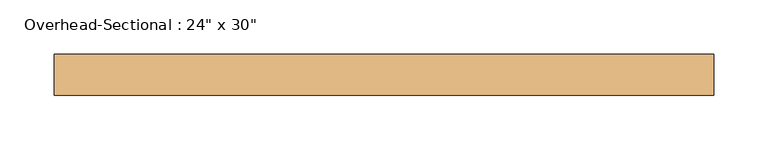
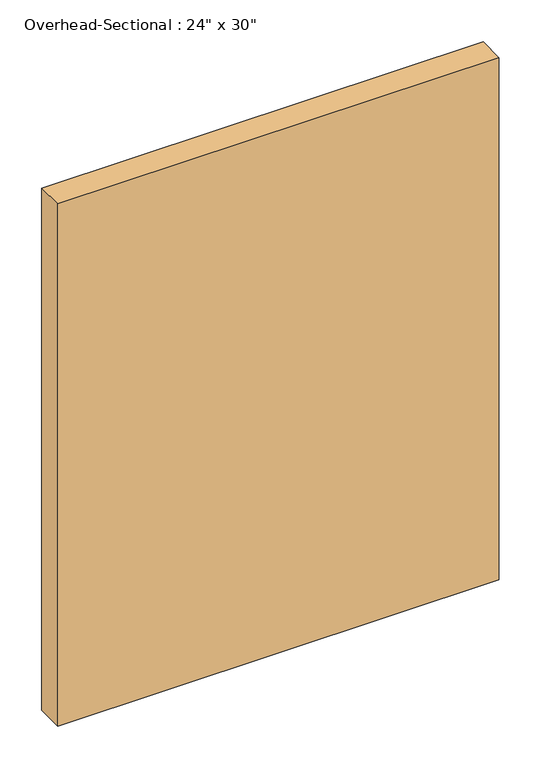
"""IFC4 building model written with IfcOpenShell, lengths in millimetres: door geometry."""

from ifc_helpers import new_model, si_unit, origin, origin_with_axes, place, context, project, spatial, polyline, outline, extrude, source, transform, mapped, element, save


def door_2ab094ee(model_context):
    return source(origin(), model_context, "Body", "SweptSolid", [
        extrude(outline(polyline([(304.8, -96.8375), (304.8, -134.9375), (-304.8, -134.9375), (-304.8, -96.8375), (304.8, -96.8375)])), origin_with_axes(), (0.0, 0.0, 1.0), 762.0),
    ])


if __name__ == "__main__":
    model = new_model("IFC4")
    model_context = context("Model", 3, world=origin())
    ifc_project = project(units=[si_unit("LENGTHUNIT", "METRE", prefix="MILLI")], contexts=[model_context])
    site = spatial("IfcSite", under=ifc_project)
    building = spatial("IfcBuilding", under=site)
    placement = place(None, origin())
    door_shape = door_2ab094ee(model_context)
    element("IfcDoor", 1, ObjectType="Overhead-Sectional : 24\" x 30\"", at=placement, inside=building, context=model_context, shape_type="MappedRepresentation", body=[
        mapped(door_shape, transform((0.0, 0.0, 0.0), x_axis=(1.0, 0.0, 0.0), y_axis=(0.0, 1.0, 0.0), z_axis=(0.0, 0.0, 1.0))),
    ])
    save(model, "model.ifc")
